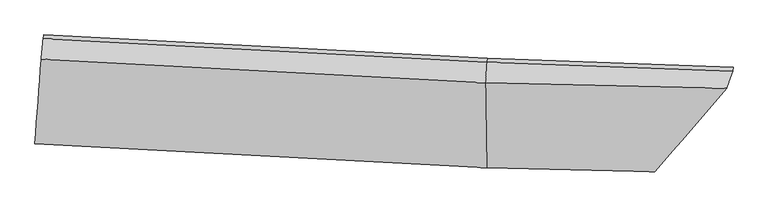
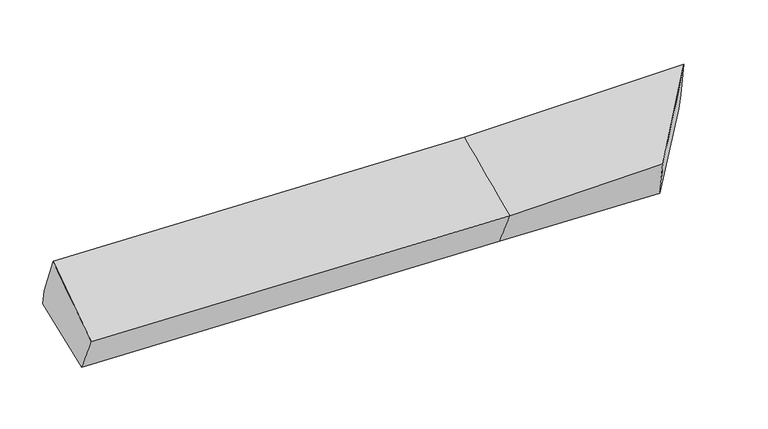
"""IFC4 building model written with IfcOpenShell, lengths in millimetres: proxy geometry."""

from ifc_helpers import new_model, si_unit, frame, origin, place, context, project, spatial, source, transform, mapped, element, save
from ifc_brep_helpers import plane_surface, spline_surface, advanced_brep


def generic_models_38bd07b9(model_context):
    return source(origin(), model_context, "Body", "AdvancedBrep", [
        advanced_brep(
        [(-2921.6413766, -1956.1099074, 2033.0488705), (-2905.5057675, -1783.2282559, 1687.9899872), (624.5042521, -1969.1545955, 1725.3086502), (616.0882272, -2142.3243634, 2070.4976684), (-2853.610007, -1102.5343236, 1842.7885677), (618.2976105, -1286.2921198, 1879.1277545), (-2857.1838277, -1134.4193388, 1984.1942734), (614.7237899, -1318.177135, 2020.5334602), (-2872.2890732, -1291.5670714, 2354.8363302), (605.592247, -1475.5478228, 2391.2762202), (2541.0276284, -1388.1741147, 2055.1031102), (2494.0154457, -1520.7173388, 2430.7200951), (1932.5027671, -2174.6190527, 2108.9809767), (1983.6790222, -2036.8947286, 1734.0325959), (2544.8903926, -1353.7111948, 1902.2647475)],
        [
            (0, 1),
            (1, 2),
            (2, 3),
            (3, 0),
            (1, 4),
            (4, 5),
            (5, 1),
            (4, 6),
            (6, 7),
            (7, 5),
            (6, 8),
            (8, 9),
            (9, 7),
            (8, 0),
            (3, 9),
            (10, 11),
            (11, 12),
            (12, 13),
            (13, 14),
            (14, 10),
            (5, 2),
            (9, 11),
            (10, 7),
            (3, 12),
            (2, 13),
            (5, 14),
        ],
        [
            spline_surface(1, 1, [[(-2921.6413766, -1956.1099074, 2033.0488705), (616.0882272, -2142.3243634, 2070.4976684)], [(-2905.5057675, -1783.2282559, 1687.9899872), (624.5042521, -1969.1545955, 1725.3086502)]], [2, 2], [2, 2], [0.0, 1.0], [0.0, 1.0]),
            plane_surface(frame((-2879.5578872, -1442.8812898, 1765.3892775), z_axis=(0.0218573176589425, 0.22011335263064796, -0.9752293933523806), x_axis=(0.07413680060364995, 0.9724199033657094, 0.2211408291891823))),
            plane_surface(frame((-2855.3969173, -1118.4768312, 1913.4914205), z_axis=(0.04924207253310842, 0.9740569286182852, 0.22088077803049533), x_axis=(-0.024647038799364737, -0.21989665648126383, 0.975211763642535))),
            spline_surface(1, 1, [[(-2857.1838277, -1134.4193388, 1984.1942734), (614.7237899, -1318.177135, 2020.5334602)], [(-2872.2890732, -1291.5670714, 2354.8363302), (605.592247, -1475.5478228, 2391.2762202)]], [2, 2], [2, 2], [0.0, 1.0], [0.0, 1.0]),
            spline_surface(1, 1, [[(-2872.2890732, -1291.5670714, 2354.8363302), (605.592247, -1475.5478228, 2391.2762202)], [(-2921.6413766, -1956.1099074, 2033.0488705), (616.0882272, -2142.3243634, 2070.4976684)]], [2, 2], [2, 2], [0.0, 1.0], [0.0, 1.0]),
            plane_surface(frame((2299.2230512, -1694.8232859, 2046.2203051), z_axis=(0.7813803406565892, -0.6127181718308895, -0.11841116984307398), x_axis=(-0.11721368596662117, -0.33046497617802323, 0.9365115329464858))),
            plane_surface(frame((-2882.0460104, -1453.5717794, 1980.5716058), z_axis=(-0.9969434579125728, 0.07774954666464295, -0.007664836512603766), x_axis=(0.06669230184275454, 0.8980308595187348, 0.4348479185036503))),
            plane_surface(frame((-2905.5057675, -1783.2282559, 1687.9899872), z_axis=(0.021891978646050796, 0.21988691744047092, -0.9752796956819559), x_axis=(-0.008866630878423515, 0.9755178224866281, 0.21974157746729078))),
            spline_surface(1, 1, [[(614.7237899, -1318.177135, 2020.5334602), (2541.0276284, -1388.1741147, 2055.1031102)], [(605.592247, -1475.5478228, 2391.2762202), (2494.0154457, -1520.7173388, 2430.7200951)]], [2, 2], [2, 2], [0.0, 1.0], [0.0, 1.0]),
            spline_surface(1, 1, [[(605.592247, -1475.5478228, 2391.2762202), (2494.0154457, -1520.7173388, 2430.7200951)], [(616.0882272, -2142.3243634, 2070.4976684), (1932.5027671, -2174.6190527, 2108.9809767)]], [2, 2], [2, 2], [0.0, 1.0], [0.0, 1.0]),
            spline_surface(1, 1, [[(616.0882272, -2142.3243634, 2070.4976684), (1932.5027671, -2174.6190527, 2108.9809767)], [(624.5042521, -1969.1545955, 1725.3086502), (1983.6790222, -2036.8947286, 1734.0325959)]], [2, 2], [2, 2], [0.0, 1.0], [0.0, 1.0]),
            spline_surface(1, 1, [[(624.5042521, -1969.1545955, 1725.3086502), (1983.6790222, -2036.8947286, 1734.0325959)], [(618.2976105, -1286.2921198, 1879.1277545), (2544.8903926, -1353.7111948, 1902.2647475)]], [2, 2], [2, 2], [0.0, 1.0], [0.0, 1.0]),
            plane_surface(frame((616.5107002, -1302.2346274, 1949.8306073), z_axis=(0.03146460747589782, 0.9748541719552184, 0.2206112460820914), x_axis=(-0.02464703879942597, -0.2198966564813249, 0.9752117636425197))),
        ],
        [
            (0, [[1, 2, 3, 4]]),
            (1, [[5, 6, 7]]),
            (2, [[8, 9, 10, -6]]),
            (3, [[11, 12, 13, -9]]),
            (4, [[14, -4, 15, -12]]),
            (5, [[16, 17, 18, 19, 20]]),
            (6, [[-14, -11, -8, -5, -1]]),
            (7, [[21, -2, -7]]),
            (8, [[-13, 22, -16, 23]]),
            (9, [[-15, 24, -17, -22]]),
            (10, [[-3, 25, -18, -24]]),
            (11, [[-21, 26, -19, -25]]),
            (12, [[-10, -23, -20, -26]]),
        ],
    ),
    ])


if __name__ == "__main__":
    model = new_model("IFC4")
    model_context = context("Model", 3, world=origin())
    ifc_project = project(units=[si_unit("LENGTHUNIT", "METRE", prefix="MILLI")], contexts=[model_context])
    site = spatial("IfcSite", under=ifc_project)
    building = spatial("IfcBuilding", under=site)
    placement = place(None, origin())
    generic_models_shape = generic_models_38bd07b9(model_context)
    element("IfcBuildingElementProxy", 1, Name="Generic Models", at=placement, inside=building, context=model_context, shape_type="MappedRepresentation", body=[
        mapped(generic_models_shape, transform((0.0, 0.0, 0.0), x_axis=(1.0, 0.0, 0.0), y_axis=(0.0, 1.0, 0.0), z_axis=(0.0, 0.0, 1.0))),
    ])
    save(model, "model.ifc")
